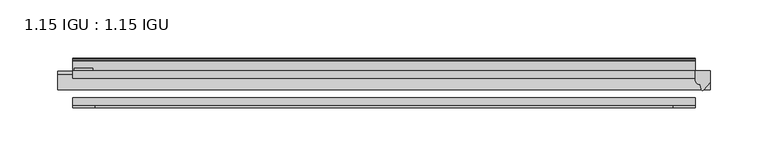
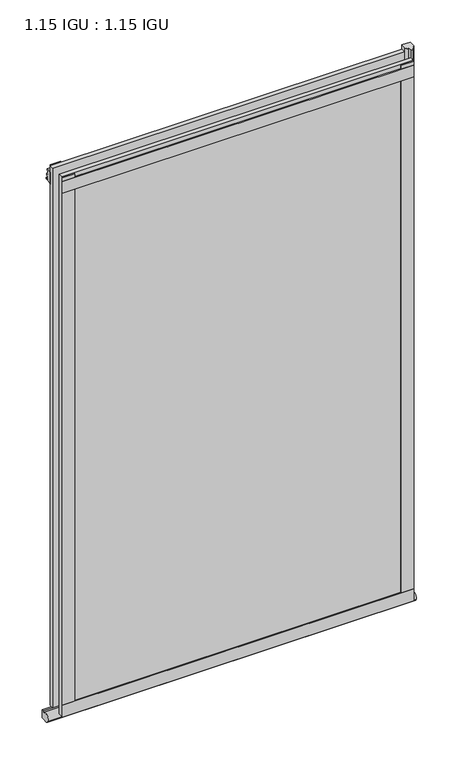
"""IFC4 building model written with IfcOpenShell, lengths in millimetres: plate geometry, 1.15 IGU : 1.15 IGU."""

from ifc_helpers import new_model, si_unit, point, frame, frame_2d, origin, place, context, project, spatial, polyline, circle_curve, ellipse_curve, trimmed, segment, composite_curve, outline, extrude, source, transform, mapped, element, save
from ifc_brep_helpers import plane_surface, revolved_surface, extruded_surface, advanced_brep


def plate_1_15_igu_1_15_igu_bcf79a9b(model_context):
    return source(origin(), model_context, "Body", "SolidModel", [
        extrude(outline(polyline([(268.351, 0.0), (268.351, -6.2992), (-268.351, -6.2992), (-268.351, 0.0), (268.351, 0.0)])), frame((0.0, 0.0, -19.05), z_axis=(0.0, 0.0, 1.0), x_axis=(1.0, 0.0, 0.0)), (0.0, 0.0, 1.0), 869.9368072),
        extrude(outline(polyline([(-268.351, -23.1648), (268.351, -23.1648), (268.351, -29.464), (-268.351, -29.464), (-268.351, -23.1648)])), frame((0.0, 0.0, -19.05), z_axis=(0.0, 0.0, 1.0), x_axis=(1.0, 0.0, 0.0)), (0.0, 0.0, 1.0), 869.9368072),
        advanced_brep(
        [(281.051, -2.9334208, -29.3692082), (281.051, -15.7658436, -30.8313288), (281.051, -6.7904952, -34.925), (281.051, 0.0, -34.925), (281.051, 0.0, -22.225), (281.051, -2.5187477, -22.225), (-281.051, -2.9073519, -29.3720514), (-281.051, -2.5187477, -22.225), (-281.051, 0.0, -22.225), (-281.051, 0.0, -34.925), (-281.051, -6.7904952, -34.925), (-281.051, -15.7658436, -30.8313288)],
        [
            (0, 1, ellipse_curve(frame((281.051, -9.5065066, -28.575), z_axis=(1.0, 0.0, 0.0), x_axis=(0.0, 0.0, -1.0)), 6.9638038, 6.6162554)),
            (1, 2, ellipse_curve(frame((281.051, -9.5065066, -28.575), z_axis=(1.0, 0.0, 0.0), x_axis=(0.0, 0.0, -1.0)), 6.9638038, 6.6162554)),
            (2, 3),
            (3, 4, circle_curve(frame((281.051, 24.1576838, -28.575), z_axis=(-1.0, 0.0, 0.0), x_axis=(0.0, 0.0, 1.0)), 24.9783143)),
            (4, 5),
            (5, 0, circle_curve(frame((281.051, -68.4358767, -22.225), z_axis=(-1.0, 0.0, 0.0), x_axis=(0.0, 0.0, 1.0)), 65.917129)),
            (6, 7, circle_curve(frame((-281.051, -68.4358767, -22.225), z_axis=(1.0, 0.0, 0.0), x_axis=(0.0, 0.0, 1.0)), 65.917129)),
            (7, 8),
            (8, 9, circle_curve(frame((-281.051, 24.1576838, -28.575), z_axis=(1.0, 0.0, 0.0), x_axis=(0.0, 0.0, 1.0)), 24.9783143)),
            (9, 10),
            (10, 11, ellipse_curve(frame((-281.051, -9.5065066, -28.575), z_axis=(-1.0, 0.0, 0.0), x_axis=(0.0, 0.0, -1.0)), 6.9638038, 6.6162554)),
            (11, 6, ellipse_curve(frame((-281.051, -9.5065066, -28.575), z_axis=(-1.0, 0.0, 0.0), x_axis=(0.0, 0.0, -1.0)), 6.9638038, 6.6162554)),
            (0, 6),
            (11, 1),
            (10, 2),
            (9, 3),
            (8, 4),
            (7, 5),
        ],
        [
            plane_surface(frame((281.051, 0.0, -28.575), z_axis=(1.0, 0.0, 0.0), x_axis=(0.0, 1.0, 0.0))),
            plane_surface(frame((-281.051, 0.0, -28.575), z_axis=(-1.0, 0.0, 0.0), x_axis=(0.0, 1.0, 0.0))),
            extruded_surface(trimmed(ellipse_curve(frame((-281.051, -9.5065066, -28.575), z_axis=(1.0, 0.0, 0.0), x_axis=(0.0, 0.0, -1.0)), 6.9638038, 6.6162554), [point((-281.051, -2.9334208, -29.3692082))], [point((-281.051, -15.7658436, -30.8313288))], True, "CARTESIAN"), (562.102, 0.0, 0.0), 562.102),
            extruded_surface(trimmed(ellipse_curve(frame((-281.051, -9.5065066, -28.575), z_axis=(1.0, 0.0, 0.0), x_axis=(0.0, 0.0, -1.0)), 6.9638038, 6.6162554), [point((-281.051, -15.7658436, -30.8313288))], [point((-281.051, -6.7904952, -34.925))], True, "CARTESIAN"), (562.102, 0.0, 0.0), 562.102),
            plane_surface(frame((281.051, -6.7904952, -34.925), z_axis=(0.0, 0.0, -1.0), x_axis=(-1.0, 0.0, 0.0))),
            revolved_surface(polyline([(-281.051, 24.1576838, -3.5966856999999983), (281.051, 24.1576838, -3.5966856999999983)]), (281.051, 24.1576838, -28.575), (-1.0, 0.0, 0.0)),
            plane_surface(frame((281.051, 0.0, -22.225), z_axis=(0.0, 0.0, 1.0), x_axis=(-1.0, 0.0, 0.0))),
            revolved_surface(polyline([(-281.051, -68.4358767, 43.692129), (281.051, -68.4358767, 43.692129)]), (281.051, -68.4358767, -22.225), (-1.0, 0.0, 0.0)),
        ],
        [
            (0, [[1, 2, 3, 4, 5, 6]]),
            (1, [[7, 8, 9, 10, 11, 12]]),
            (2, [[-1, 13, -12, 14]]),
            (3, [[-2, -14, -11, 15]]),
            (4, [[-3, -15, -10, 16]]),
            (5, [[-4, -16, -9, 17]]),
            (6, [[-5, -17, -8, 18]]),
            (7, [[-6, -18, -7, -13]]),
        ],
    ),
        extrude(outline(composite_curve([segment(polyline([(281.051, 0.0), (281.051, -9.7395025), (275.4847691, -16.3730781)]), True, "CONTINUOUS"), segment(trimmed(circle_curve(frame_2d((274.5310941, -15.7728374)), 1.1268473), [point((275.4847691, -16.3730781))], [point((273.4301412, -16.0130197))], False, "CARTESIAN"), True, "CONTINUOUS"), segment(polyline([(273.4301412, -16.0130197), (272.4499498, -11.7377885)]), True, "CONTINUOUS"), segment(trimmed(circle_curve(frame_2d((272.3224979, -7.7683362)), 3.9714979), [point((272.4499498, -11.7377885))], [point((268.3511786, -7.8060014))], False, "CARTESIAN"), True, "CONTINUOUS"), segment(polyline([(268.3511786, -7.8060014), (268.3511786, 0.0), (281.051, 0.0)]), True, "CONTINUOUS")], self_intersect=False)), frame((0.0, 0.0, -19.05), z_axis=(0.0, 0.0, 1.0), x_axis=(1.0, 0.0, 0.0)), (0.0, 0.0, 1.0), 877.0742072),
        extrude(outline(polyline([(-268.351, -31.75), (-268.351, -29.464), (268.351, -29.464), (268.351, -31.75), (-268.351, -31.75)])), frame((0.0, 0.0, -19.05), z_axis=(0.0, 0.0, 1.0), x_axis=(1.0, 0.0, 0.0)), (0.0, 0.0, 1.0), 19.05),
        extrude(outline(composite_curve([segment(polyline([(8.509, 840.7300284), (8.509, 838.6980284), (6.35, 838.6980284), (6.35, 833.3640284), (8.9492698, 833.3640284)]), True, "CONTINUOUS"), segment(trimmed(circle_curve(frame_2d((8.208689, 831.8368072)), 1.697311), [point((8.9492698, 833.3640284))], [point((8.962411, 830.3160284))], False, "CARTESIAN"), True, "CONTINUOUS"), segment(polyline([(8.962411, 830.3160284), (6.35, 830.3160284), (6.35, 825.4868072), (11.1252, 825.4868072), (11.1252, 824.5978072)]), True, "CONTINUOUS"), segment(trimmed(circle_curve(frame_2d((10.1092, 824.5978072)), 1.016), [point((11.1252, 824.5978072))], [point((10.1092, 823.5818072))], False, "CARTESIAN"), True, "CONTINUOUS"), segment(trimmed(circle_curve(frame_2d((10.1092, 804.1707318)), 19.4110754), [point((10.1092, 823.5818072))], [point((0.0, 820.7416075))], True, "CARTESIAN"), True, "CONTINUOUS"), segment(polyline([(0.0, 820.7416075), (0.0, 840.7300284), (8.509, 840.7300284)]), True, "CONTINUOUS")], self_intersect=False)), frame((-268.351, 0.0, 0.0), z_axis=(1.0, 0.0, 0.0), x_axis=(0.0, 1.0, 0.0)), (0.0, 0.0, 1.0), 536.702),
        extrude(outline(polyline([(-268.351, -31.75), (-268.351, -29.464), (268.351, -29.464), (268.351, -31.75), (-268.351, -31.75)])), frame((0.0, 0.0, 825.4868072), z_axis=(0.0, 0.0, 1.0), x_axis=(1.0, 0.0, 0.0)), (0.0, 0.0, 1.0), 19.05),
        extrude(outline(polyline([(249.301, -29.464), (268.351, -29.464), (268.351, -31.75), (249.301, -31.75), (249.301, -29.464)])), frame((0.0, 0.0, -19.05), z_axis=(0.0, 0.0, 1.0), x_axis=(1.0, 0.0, 0.0)), (0.0, 0.0, 1.0), 869.9368072),
        extrude(outline(polyline([(-268.351, -31.75), (-268.351, -29.464), (-249.301, -29.464), (-249.301, -31.75), (-268.351, -31.75)])), frame((0.0, 0.0, -19.05), z_axis=(0.0, 0.0, 1.0), x_axis=(1.0, 0.0, 0.0)), (0.0, 0.0, 1.0), 869.9368072),
        extrude(outline(polyline([(-267.1445, 0.0), (-267.1445, 2.286), (-251.2695, 2.286), (-251.2695, 0.0), (-267.1445, 0.0)])), frame((0.0, 0.0, -19.05), z_axis=(0.0, 0.0, 1.0), x_axis=(1.0, 0.0, 0.0)), (0.0, 0.0, 1.0), 869.9368072),
    ])


if __name__ == "__main__":
    model = new_model("IFC4")
    model_context = context("Model", 3, world=origin())
    ifc_project = project(units=[si_unit("LENGTHUNIT", "METRE", prefix="MILLI")], contexts=[model_context])
    site = spatial("IfcSite", under=ifc_project)
    building = spatial("IfcBuilding", under=site)
    placement = place(None, origin())
    plate_1_15_igu_1_15_igu_shape = plate_1_15_igu_1_15_igu_bcf79a9b(model_context)
    element("IfcPlate", 1, ObjectType="1.15 IGU : 1.15 IGU", at=placement, inside=building, context=model_context, shape_type="MappedRepresentation", body=[
        mapped(plate_1_15_igu_1_15_igu_shape, transform((0.0, 0.0, 0.0), x_axis=(1.0, 0.0, 0.0), y_axis=(0.0, 1.0, 0.0), z_axis=(0.0, 0.0, 1.0))),
    ])
    save(model, "model.ifc")
